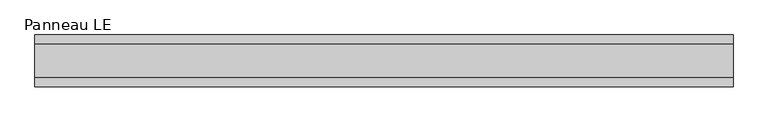
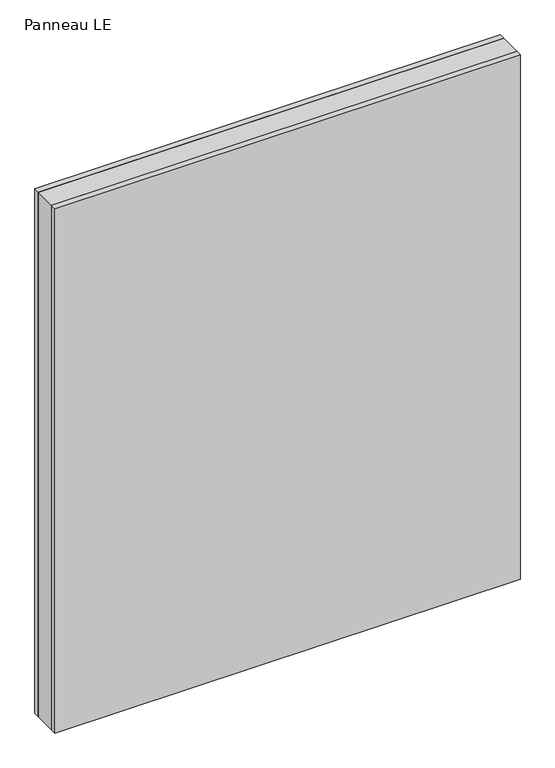
"""IFC4 building model written with IfcOpenShell, lengths in millimetres: plate geometry, Panneau LE."""

from ifc_helpers import new_model, si_unit, origin, origin_with_axes, place, context, project, spatial, polyline, outline, extrude, source, transform, mapped, element, save


def panneau_le_8e4b6430(model_context):
    return source(origin(), model_context, "Body", "SweptSolid", [
        extrude(outline(polyline([(606.9999999, 29.0), (606.9999999, -29.0), (-606.9999999, -29.0), (-606.9999999, 29.0), (606.9999999, 29.0)])), origin_with_axes(), (0.0, 0.0, 1.0), 1446.5),
        extrude(outline(polyline([(606.9999999, 45.0), (606.9999999, 29.0), (-606.9999999, 29.0), (-606.9999999, 45.0), (606.9999999, 45.0)])), origin_with_axes(), (0.0, 0.0, 1.0), 1446.5),
        extrude(outline(polyline([(-606.9999999, -45.0), (-606.9999999, -29.0), (606.9999999, -29.0), (606.9999999, -45.0), (-606.9999999, -45.0)])), origin_with_axes(), (0.0, 0.0, 1.0), 1446.5),
    ])


if __name__ == "__main__":
    model = new_model("IFC4")
    model_context = context("Model", 3, world=origin())
    ifc_project = project(units=[si_unit("LENGTHUNIT", "METRE", prefix="MILLI")], contexts=[model_context])
    site = spatial("IfcSite", under=ifc_project)
    building = spatial("IfcBuilding", under=site)
    placement = place(None, origin())
    panneau_le_shape = panneau_le_8e4b6430(model_context)
    element("IfcPlate", 1, ObjectType="Panneau LE", at=placement, inside=building, context=model_context, shape_type="MappedRepresentation", body=[
        mapped(panneau_le_shape, transform((0.0, 0.0, 0.0), x_axis=(1.0, 0.0, 0.0), y_axis=(0.0, 1.0, 0.0), z_axis=(0.0, 0.0, 1.0))),
    ])
    save(model, "model.ifc")
